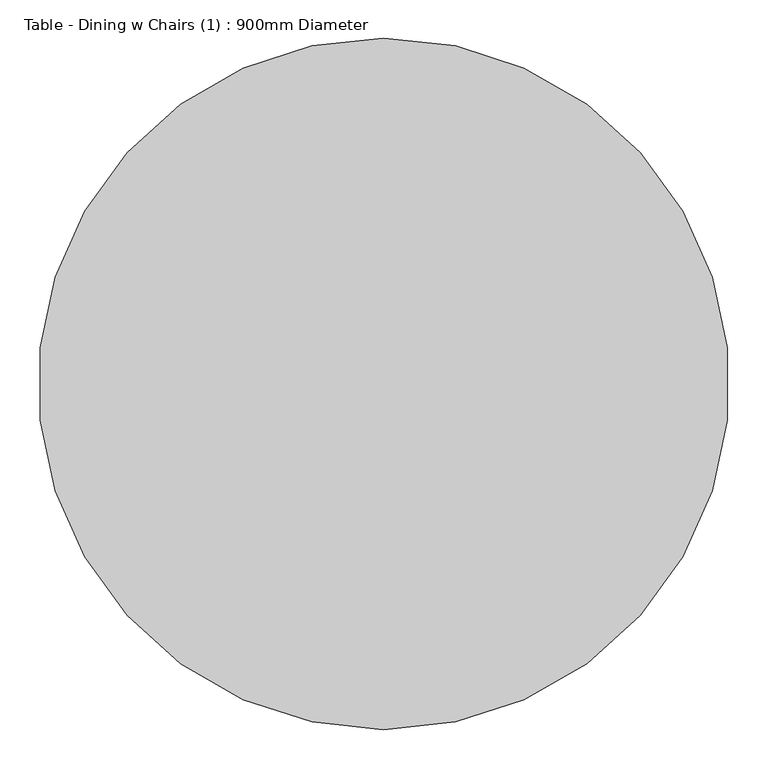
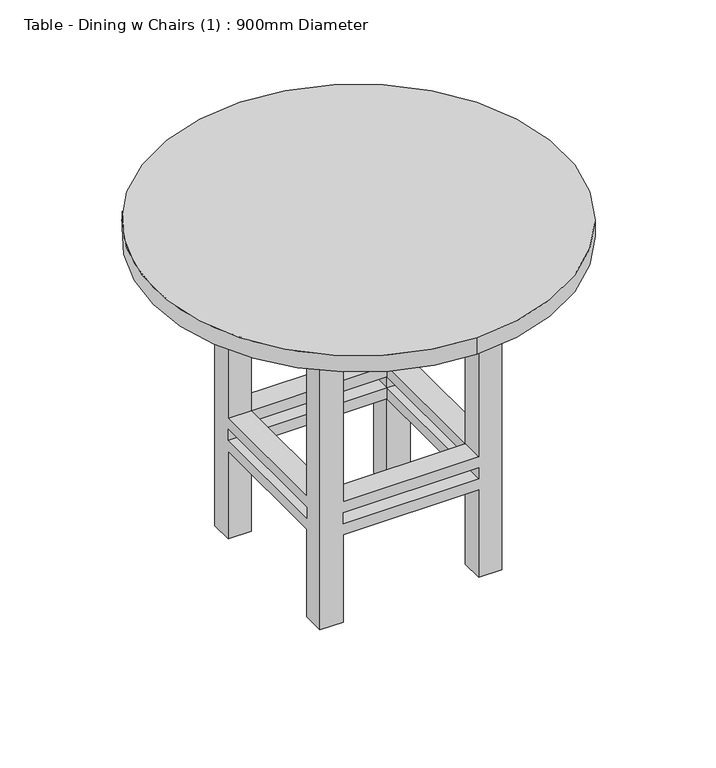
"""IFC4 building model written with IfcOpenShell, lengths in millimetres: furniture geometry, Table - Dining w Chairs (1) : 900mm Diameter."""

from ifc_helpers import new_model, si_unit, point, frame, frame_2d, origin, place, context, project, spatial, polyline, circle_curve, trimmed, segment, composite_curve, outline, extrude, faceted_brep, source, transform, mapped, element, save


def table_dining_w_chairs_1_900mm_diameter_b3554e16(model_context):
    return source(origin(), model_context, "Body", "SolidModel", [
        faceted_brep([(-45.1180328, 14.7213115, 645.7), (-95.9180328, 14.7213115, 645.7), (-95.9180328, -36.0786885, 645.7), (-45.1180328, -36.0786885, 645.7), (252.4819672, 14.7213115, 645.7), (252.4819672, -36.0786885, 645.7), (303.2819672, -36.0786885, 645.7), (303.2819672, 14.7213115, 645.7), (252.4819672, -384.4786885, 645.7), (303.2819672, -384.4786885, 645.7), (303.2819672, -333.6786885, 645.7), (252.4819672, -333.6786885, 645.7), (-45.1180328, -384.4786885, 645.7), (-45.1180328, -333.6786885, 645.7), (-95.9180328, -333.6786885, 645.7), (-95.9180328, -384.4786885, 645.7), (-45.1180328, 14.7213115, 0.0), (-45.1180328, -36.0786885, 0.0), (-95.9180328, -36.0786885, 0.0), (-95.9180328, 14.7213115, 0.0), (252.4819672, 14.7213115, 0.0), (303.2819672, 14.7213115, 0.0), (303.2819672, -36.0786885, 0.0), (252.4819672, -36.0786885, 0.0), (252.4819672, -384.4786885, 0.0), (252.4819672, -333.6786885, 0.0), (303.2819672, -333.6786885, 0.0), (303.2819672, -384.4786885, 0.0), (-45.1180328, -384.4786885, 0.0), (-95.9180328, -384.4786885, 0.0), (-95.9180328, -333.6786885, 0.0), (-45.1180328, -333.6786885, 0.0), (-45.1180328, 14.7213115, 279.4), (252.4819672, 14.7213115, 279.4), (252.4819672, 14.7213115, 203.2), (-45.1180328, 14.7213115, 203.2), (252.4819672, 14.7213115, 228.6), (252.4819672, 14.7213115, 254.0), (-45.1180328, 14.7213115, 254.0), (-45.1180328, 14.7213115, 228.6), (-95.9180328, -36.0786885, 203.2), (-95.9180328, -333.6786885, 203.2), (-95.9180328, -333.6786885, 279.4), (-95.9180328, -36.0786885, 279.4), (-95.9180328, -36.0786885, 228.6), (-95.9180328, -36.0786885, 254.0), (-95.9180328, -333.6786885, 254.0), (-95.9180328, -333.6786885, 228.6), (-45.1180328, -36.0786885, 279.4), (-45.1180328, -36.0786885, 203.2), (-45.1180328, -36.0786885, 228.6), (-45.1180328, -36.0786885, 254.0), (252.4819672, -36.0786885, 279.4), (252.4819672, -36.0786885, 203.2), (252.4819672, -36.0786885, 228.6), (252.4819672, -36.0786885, 254.0), (303.2819672, -36.0786885, 279.4), (303.2819672, -36.0786885, 203.2), (303.2819672, -36.0786885, 228.6), (303.2819672, -36.0786885, 254.0), (303.2819672, -333.6786885, 279.4), (303.2819672, -333.6786885, 203.2), (303.2819672, -333.6786885, 228.6), (303.2819672, -333.6786885, 254.0), (252.4819672, -384.4786885, 279.4), (-45.1180328, -384.4786885, 279.4), (-45.1180328, -384.4786885, 203.2), (252.4819672, -384.4786885, 203.2), (-45.1180328, -384.4786885, 228.6), (-45.1180328, -384.4786885, 254.0), (252.4819672, -384.4786885, 254.0), (252.4819672, -384.4786885, 228.6), (252.4819672, -333.6786885, 279.4), (252.4819672, -333.6786885, 203.2), (252.4819672, -333.6786885, 228.6), (252.4819672, -333.6786885, 254.0), (-45.1180328, -333.6786885, 279.4), (-45.1180328, -333.6786885, 203.2), (-45.1180328, -333.6786885, 228.6), (-45.1180328, -333.6786885, 254.0)], [[[0, 1, 2, 3]], [[4, 5, 6, 7]], [[8, 9, 10, 11]], [[12, 13, 14, 15]], [[16, 17, 18, 19]], [[20, 21, 22, 23]], [[24, 25, 26, 27]], [[28, 29, 30, 31]], [[1, 0, 32, 33, 4, 7, 21, 20, 34, 35, 16, 19], [36, 37, 38, 39]], [[2, 1, 19, 18, 40, 41, 30, 29, 15, 14, 42, 43], [44, 45, 46, 47]], [[3, 2, 43, 48]], [[18, 17, 49, 40]], [[44, 50, 51, 45]], [[0, 3, 48, 32]], [[17, 16, 35, 49]], [[50, 39, 38, 51]], [[5, 4, 33, 52]], [[20, 23, 53, 34]], [[36, 54, 55, 37]], [[6, 5, 52, 56]], [[23, 22, 57, 53]], [[54, 58, 59, 55]], [[21, 7, 6, 56, 60, 10, 9, 27, 26, 61, 57, 22], [62, 63, 59, 58]], [[27, 9, 8, 64, 65, 12, 15, 29, 28, 66, 67, 24], [68, 69, 70, 71]], [[11, 10, 60, 72]], [[26, 25, 73, 61]], [[62, 74, 75, 63]], [[8, 11, 72, 64]], [[25, 24, 67, 73]], [[74, 71, 70, 75]], [[13, 12, 65, 76]], [[28, 31, 77, 66]], [[68, 78, 79, 69]], [[14, 13, 76, 42]], [[31, 30, 41, 77]], [[78, 47, 46, 79]], [[54, 74, 62, 58]], [[74, 78, 68, 71]], [[78, 50, 44, 47]], [[50, 54, 36, 39]], [[53, 49, 35, 34]], [[49, 77, 41, 40]], [[77, 73, 67, 66]], [[73, 53, 57, 61]], [[74, 54, 53, 73]], [[78, 74, 73, 77]], [[50, 78, 77, 49]], [[54, 50, 49, 53]], [[52, 72, 60, 56]], [[72, 76, 65, 64]], [[76, 48, 43, 42]], [[48, 52, 33, 32]], [[55, 51, 38, 37]], [[51, 79, 46, 45]], [[79, 75, 70, 69]], [[75, 55, 59, 63]], [[72, 52, 55, 75]], [[76, 72, 75, 79]], [[48, 76, 79, 51]], [[52, 48, 51, 55]]]),
        extrude(outline(polyline([(328.6819672, 40.1213115), (328.6819672, -409.8786885), (-121.3180328, -409.8786885), (-121.3180328, 40.1213115), (328.6819672, 40.1213115)]), holes=[polyline([(303.2819672, 14.7213115), (-95.9180328, 14.7213115), (-95.9180328, -384.4786885), (303.2819672, -384.4786885), (303.2819672, 14.7213115)])]), frame((0.0, 0.0, 645.7), z_axis=(0.0, 0.0, 1.0), x_axis=(1.0, 0.0, 0.0)), (0.0, 0.0, 1.0), 76.2),
        extrude(outline(composite_curve([segment(trimmed(circle_curve(frame_2d((103.6819672, -184.8786885)), 450.0), [point((103.6819672, -634.8786885))], [point((103.6819672, 265.1213115))], False, "CARTESIAN"), True, "CONTINUOUS"), segment(trimmed(circle_curve(frame_2d((103.6819672, -184.8786885)), 450.0), [point((103.6819672, 265.1213115))], [point((103.6819672, -634.8786885))], False, "CARTESIAN"), True, "CONTINUOUS")], self_intersect=False)), frame((0.0, 0.0, 721.9), z_axis=(0.0, 0.0, 1.0), x_axis=(1.0, 0.0, 0.0)), (0.0, 0.0, 1.0), 38.1),
    ])


if __name__ == "__main__":
    model = new_model("IFC4")
    model_context = context("Model", 3, world=origin())
    ifc_project = project(units=[si_unit("LENGTHUNIT", "METRE", prefix="MILLI")], contexts=[model_context])
    site = spatial("IfcSite", under=ifc_project)
    building = spatial("IfcBuilding", under=site)
    placement = place(None, origin())
    table_dining_w_chairs_1_900mm_diameter_shape = table_dining_w_chairs_1_900mm_diameter_b3554e16(model_context)
    element("IfcFurniture", 1, ObjectType="Table - Dining w Chairs (1) : 900mm Diameter", at=placement, inside=building, context=model_context, shape_type="MappedRepresentation", body=[
        mapped(table_dining_w_chairs_1_900mm_diameter_shape, transform((0.0, 0.0, 0.0), x_axis=(1.0, 0.0, 0.0), y_axis=(0.0, 1.0, 0.0), z_axis=(0.0, 0.0, 1.0))),
    ])
    save(model, "model.ifc")
